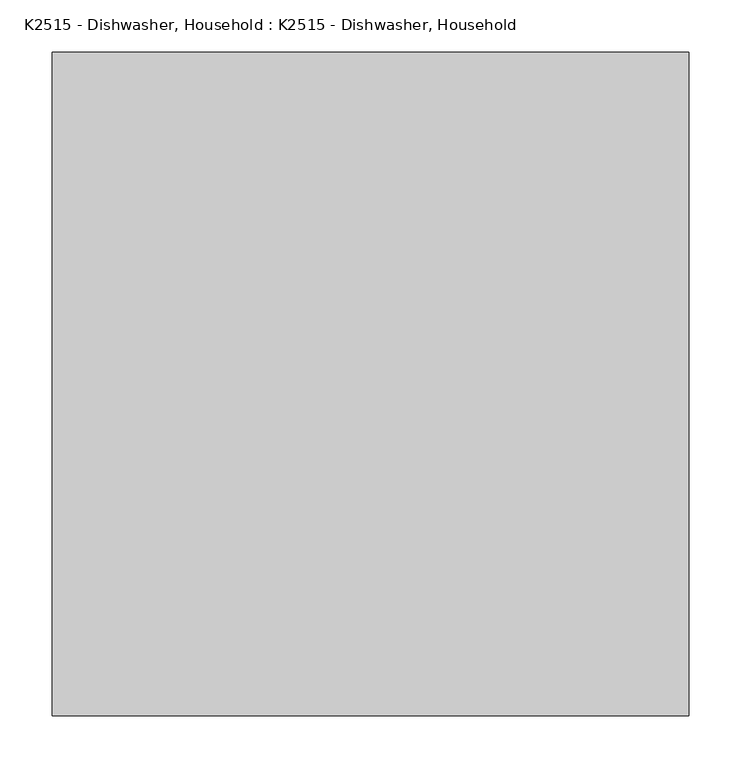
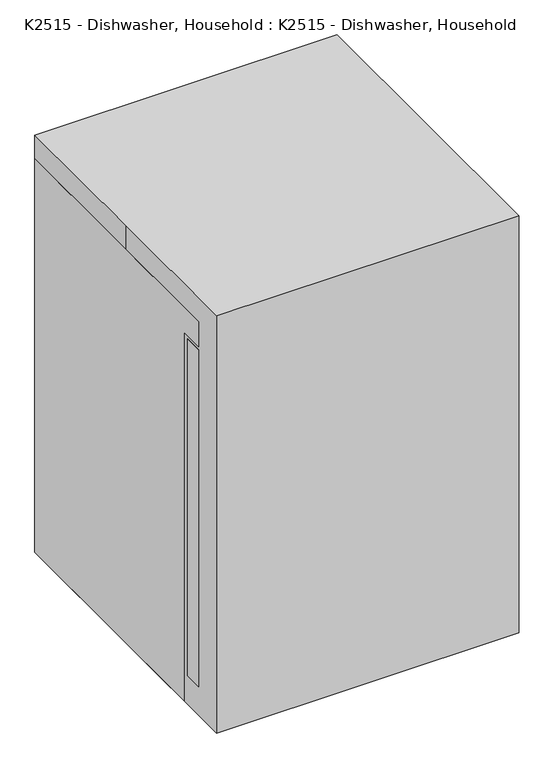
"""IFC4 building model written with IfcOpenShell, lengths in millimetres: proxy geometry, K2515 - Dishwasher, Household : K2515 - Dishwasher, Household."""

from ifc_helpers import new_model, si_unit, point, frame, frame_2d, origin, origin_with_axes, place, context, project, spatial, polyline, circle_curve, trimmed, segment, composite_curve, outline, extrude, source, transform, mapped, element, save


def k2515_dishwasher_household_k2515_dishwasher_household_825dde00(model_context):
    return source(origin(), model_context, "Body", "SweptSolid", [
        extrude(outline(composite_curve([segment(polyline([(-247.65, -254.0), (-241.3, -254.0), (-241.3, -285.75)]), True, "CONTINUOUS"), segment(trimmed(circle_curve(frame_2d((-228.6, -285.75)), 12.7), [point((-241.3, -285.75))], [point((-228.6, -298.45))], True, "CARTESIAN"), True, "CONTINUOUS"), segment(polyline([(-228.6, -298.45), (228.6, -298.45)]), True, "CONTINUOUS"), segment(trimmed(circle_curve(frame_2d((228.6, -285.75)), 12.7), [point((228.6, -298.45))], [point((241.3, -285.75))], True, "CARTESIAN"), True, "CONTINUOUS"), segment(polyline([(241.3, -285.75), (241.3, -254.0), (247.65, -254.0), (247.65, -285.75)]), True, "CONTINUOUS"), segment(trimmed(circle_curve(frame_2d((228.6, -285.75)), 19.05), [point((247.65, -285.75))], [point((228.6, -304.8))], False, "CARTESIAN"), True, "CONTINUOUS"), segment(polyline([(228.6, -304.8), (-228.6, -304.8)]), True, "CONTINUOUS"), segment(trimmed(circle_curve(frame_2d((-228.6, -285.75)), 19.05), [point((-228.6, -304.8))], [point((-247.65, -285.75))], False, "CARTESIAN"), True, "CONTINUOUS"), segment(polyline([(-247.65, -285.75), (-247.65, -254.0)]), True, "CONTINUOUS")], self_intersect=False)), frame((0.0, 0.0, 685.8), z_axis=(0.0, 0.0, 1.0), x_axis=(1.0, 0.0, 0.0)), (0.0, 0.0, 1.0), 25.4),
        extrude(outline(polyline([(292.1, -203.2), (292.1, -215.9), (-292.4220728, -215.9), (-292.4220728, -203.2), (292.1, -203.2)])), frame((0.0, 0.0, 72.8928444), z_axis=(0.0, 0.0, 1.0), x_axis=(1.0, 0.0, 0.0)), (0.0, 0.0, 1.0), 691.4472963),
        extrude(outline(polyline([(-254.0, 838.2), (63.5, 838.2), (317.5, 838.2), (317.5, 0.0), (-203.2, 0.0), (-203.2, 785.0736181), (-254.0, 785.0736181), (-254.0, 838.2)])), frame((-304.8, 0.0, 0.0), z_axis=(1.0, 0.0, 0.0), x_axis=(0.0, 1.0, 0.0)), (0.0, 0.0, 1.0), 609.6),
        extrude(outline(polyline([(304.8, -254.0), (-304.8, -254.0), (-304.8, -215.9), (304.8, -215.9), (304.8, -254.0)])), frame((0.0, 0.0, 60.2898187), z_axis=(0.0, 0.0, 1.0), x_axis=(1.0, 0.0, 0.0)), (0.0, 0.0, 1.0), 718.4337993),
        extrude(outline(polyline([(-304.8, 317.5), (304.8, 317.5), (304.8, -317.5), (-304.8, -317.5), (-304.8, 0.0), (-304.8, 317.5)])), origin_with_axes(), (0.0, 0.0, 1.0), 889.0),
    ])


if __name__ == "__main__":
    model = new_model("IFC4")
    model_context = context("Model", 3, world=origin())
    ifc_project = project(units=[si_unit("LENGTHUNIT", "METRE", prefix="MILLI")], contexts=[model_context])
    site = spatial("IfcSite", under=ifc_project)
    building = spatial("IfcBuilding", under=site)
    placement = place(None, origin())
    k2515_dishwasher_household_k2515_dishwasher_household_shape = k2515_dishwasher_household_k2515_dishwasher_household_825dde00(model_context)
    element("IfcBuildingElementProxy", 1, Name="K2515 - Dishwasher, Household : K2515 - Dishwasher, Household", ObjectType="K2515 - Dishwasher, Household : K2515 - Dishwasher, Household", at=placement, inside=building, context=model_context, shape_type="MappedRepresentation", body=[
        mapped(k2515_dishwasher_household_k2515_dishwasher_household_shape, transform((0.0, 0.0, 0.0), x_axis=(1.0, 0.0, 0.0), y_axis=(0.0, 1.0, 0.0), z_axis=(0.0, 0.0, 1.0))),
    ])
    save(model, "model.ifc")
